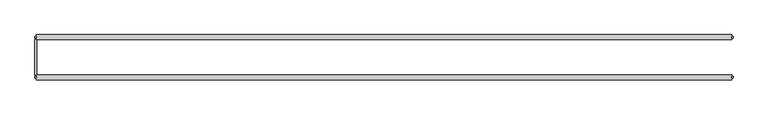
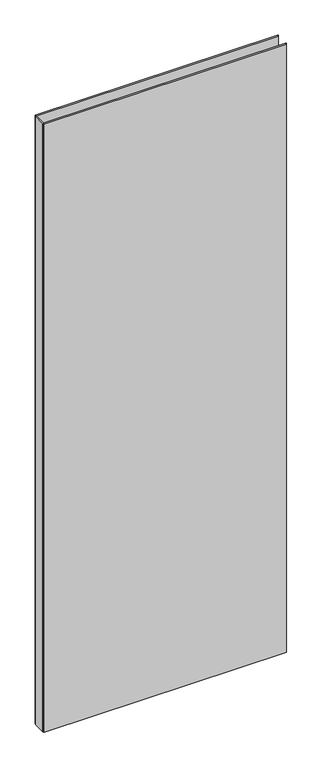
"""IFC4 building model written with IfcOpenShell, lengths in millimetres: plate geometry."""

from ifc_helpers import new_model, si_unit, origin, origin_with_axes, place, context, project, spatial, polyline, outline, extrude, source, transform, mapped, element, save


def plate_975c4be7(model_context):
    return source(origin(), model_context, "Body", "SweptSolid", [
        extrude(outline(polyline([(-548.1250001, 27.7), (-548.1250001, -27.7), (-551.1250001, -27.7), (-551.1250001, 27.7), (-548.1250001, 27.7)])), origin_with_axes(), (0.0, 0.0, 1.0), 2915.0),
        extrude(outline(polyline([(-549.1250001, 32.7), (-549.1250001, 30.7), (-551.1250001, 30.7), (-551.1250001, 32.7), (-549.1250001, 32.7)])), origin_with_axes(), (0.0, 0.0, 1.0), 2915.0),
        extrude(outline(polyline([(-549.1250001, -30.7), (-549.1250001, -32.7), (-551.1250001, -32.7), (-551.1250001, -30.7), (-549.1250001, -30.7)])), origin_with_axes(), (0.0, 0.0, 1.0), 2915.0),
        extrude(outline(polyline([(549.1250001, 32.7), (551.1250001, 32.7), (551.1250001, 30.7), (549.1250001, 30.7), (549.1250001, 32.7)])), origin_with_axes(), (0.0, 0.0, 1.0), 2915.0),
        extrude(outline(polyline([(551.1250001, -30.7), (551.1250001, -32.7), (549.1250001, -32.7), (549.1250001, -30.7), (551.1250001, -30.7)])), origin_with_axes(), (0.0, 0.0, 1.0), 2915.0),
        extrude(outline(polyline([(549.1250001, 27.7), (-549.1250001, 27.7), (-549.1250001, 35.7), (549.1250001, 35.7), (549.1250001, 27.7)])), origin_with_axes(), (0.0, 0.0, 1.0), 2915.0),
        extrude(outline(polyline([(-549.1250001, -35.7), (-549.1250001, -27.7), (549.1250001, -27.7), (549.1250001, -35.7), (-549.1250001, -35.7)])), origin_with_axes(), (0.0, 0.0, 1.0), 2915.0),
    ])


if __name__ == "__main__":
    model = new_model("IFC4")
    model_context = context("Model", 3, world=origin())
    ifc_project = project(units=[si_unit("LENGTHUNIT", "METRE", prefix="MILLI")], contexts=[model_context])
    site = spatial("IfcSite", under=ifc_project)
    building = spatial("IfcBuilding", under=site)
    placement = place(None, origin())
    plate_shape = plate_975c4be7(model_context)
    element("IfcPlate", 1, at=placement, inside=building, context=model_context, shape_type="MappedRepresentation", body=[
        mapped(plate_shape, transform((0.0, 0.0, 0.0), x_axis=(1.0, 0.0, 0.0), y_axis=(0.0, 1.0, 0.0), z_axis=(0.0, 0.0, 1.0))),
    ])
    save(model, "model.ifc")
